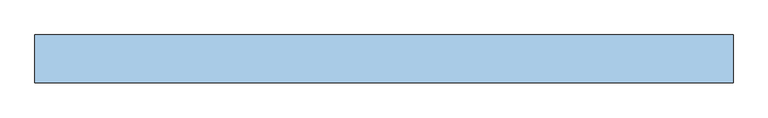
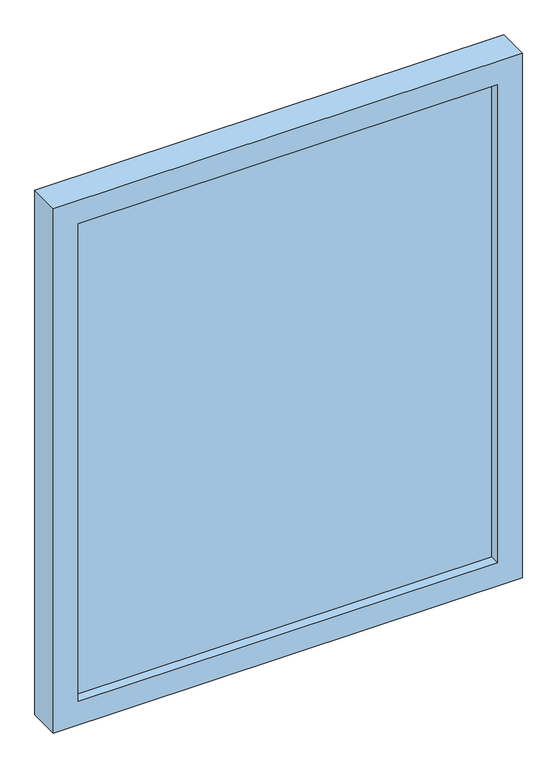
"""IFC4 building model written with IfcOpenShell, lengths in millimetres: window geometry."""

from ifc_helpers import new_model, si_unit, frame, origin, place, context, project, spatial, polyline, outline, extrude, source, transform, mapped, element, save


def window_11174523(model_context):
    return source(origin(), model_context, "Body", "SweptSolid", [
        extrude(outline(polyline([(492.0, -14.5), (-492.0, -14.5), (-492.0, -8.5), (492.0, -8.5), (492.0, -14.5)])), frame((0.0, 0.0, 958.0), z_axis=(0.0, 0.0, 1.0), x_axis=(1.0, 0.0, 0.0)), (0.0, 0.0, 1.0), 1184.0),
        extrude(outline(polyline([(492.0, 23.5), (-492.0, 23.5), (-492.0, 29.5), (492.0, 29.5), (492.0, 23.5)])), frame((0.0, 0.0, 958.0), z_axis=(0.0, 0.0, 1.0), x_axis=(1.0, 0.0, 0.0)), (0.0, 0.0, 1.0), 1184.0),
        extrude(outline(polyline([(492.0, 4.5), (-492.0, 4.5), (-492.0, 10.5), (492.0, 10.5), (492.0, 4.5)])), frame((0.0, 0.0, 958.0), z_axis=(0.0, 0.0, 1.0), x_axis=(1.0, 0.0, 0.0)), (0.0, 0.0, 1.0), 1184.0),
        extrude(outline(polyline([(2200.0, 550.0), (2200.0, -550.0), (900.0, -550.0), (900.0, 550.0), (2200.0, 550.0)]), holes=[polyline([(958.0, 492.0), (958.0, -492.0), (2142.0, -492.0), (2142.0, 492.0), (958.0, 492.0)])]), frame((0.0, -37.5, 0.0), z_axis=(0.0, 1.0, 0.0), x_axis=(0.0, 0.0, 1.0)), (0.0, 0.0, 1.0), 75.0),
    ])


if __name__ == "__main__":
    model = new_model("IFC4")
    model_context = context("Model", 3, world=origin())
    ifc_project = project(units=[si_unit("LENGTHUNIT", "METRE", prefix="MILLI")], contexts=[model_context])
    site = spatial("IfcSite", under=ifc_project)
    building = spatial("IfcBuilding", under=site)
    placement = place(None, origin())
    window_shape = window_11174523(model_context)
    element("IfcWindow", 1, at=placement, inside=building, context=model_context, shape_type="MappedRepresentation", body=[
        mapped(window_shape, transform((0.0, 0.0, 0.0), x_axis=(1.0, 0.0, 0.0), y_axis=(0.0, 1.0, 0.0), z_axis=(0.0, 0.0, 1.0))),
    ])
    save(model, "model.ifc")
